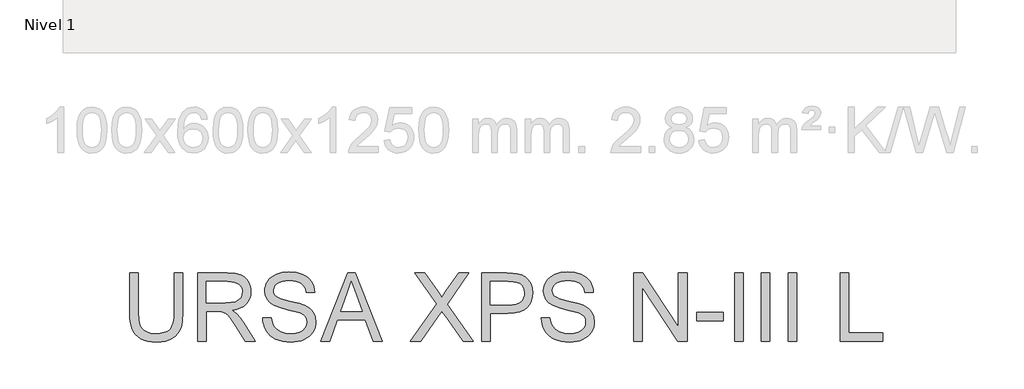
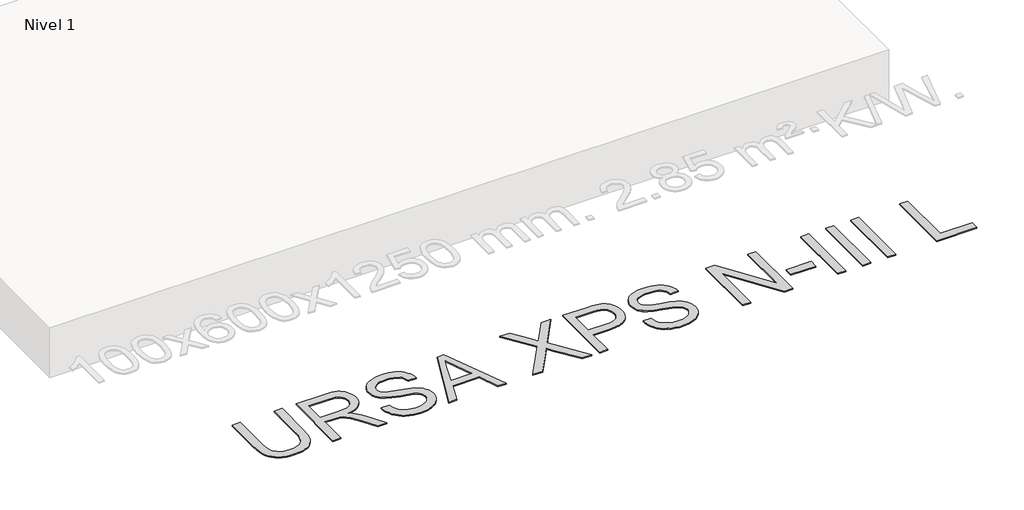
# One storey, part 2 of 10: 1 proxy.
"""IFC4 building model written with IfcOpenShell, lengths in millimetres."""

from ifc_helpers import new_model, si_unit, origin, origin_with_axes, place, context, project, spatial, polyline, outline, extrude, element, save

model = new_model("IFC4")

# Units and contexts
model_context = context("Model", 3, world=origin())
ifc_project = project(units=[si_unit("LENGTHUNIT", "METRE", prefix="MILLI")], contexts=[model_context])

# Site, building, storey
site = spatial("IfcSite", under=ifc_project)
building = spatial("IfcBuilding", under=site)
storey = spatial("IfcBuildingStorey", under=building, Name="Nivel 1", Elevation=0.0)

# Proxy
placement = place(None, origin())
element("IfcBuildingElementProxy", 1, Name="Texto de modelo 3", ObjectType="Texto de modelo 3", at=placement, inside=storey, context=model_context, shape_type="SweptSolid", body=[
    extrude(outline(polyline([(-29076.1169794, -13677.5031362), (-29000.7747468, -13677.5031362), (-29000.7747468, -14025.225198), (-29005.8883065, -14106.6558777), (-29012.2802562, -14140.3492699), (-29021.2289857, -14169.3613637), (-29033.5070473, -14194.7912067), (-29049.8869932, -14217.7378461), (-29070.3688232, -14238.2012821), (-29094.9525376, -14256.1815146), (-29123.6657273, -14270.8278165), (-29156.5359836, -14281.2894608), (-29193.5633064, -14287.5664473), (-29234.7476957, -14289.6587762), (-29274.9158111, -14287.8377603), (-29311.2487566, -14282.3747127), (-29343.7465324, -14273.2696333), (-29372.4091383, -14260.5225222), (-29397.241173, -14244.3219188), (-29418.2472349, -14224.8563627), (-29435.4273241, -14202.1258539), (-29448.7814405, -14176.1303925), (-29458.7924293, -14145.9778644), (-29465.9431356, -14110.776156), (-29470.2335594, -14070.5252672), (-29471.6637006, -14025.225198), (-29471.6637006, -13677.5031362), (-29396.321468, -13677.5031362), (-29396.321468, -14022.5764477), (-29392.6058599, -14090.2851289), (-29381.4590354, -14137.4292066), (-29372.6942469, -14154.8070323), (-29361.2623139, -14170.0787336), (-29347.1632364, -14183.2443105), (-29330.3970145, -14194.303763), (-29290.1507242, -14209.3133484), (-29241.81103, -14214.3165436), (-29200.2863498, -14211.8425371), (-29165.1812104, -14204.4205179), (-29136.4956119, -14192.0504858), (-29114.2295541, -14174.7324409), (-29097.5553027, -14150.3786528), (-29085.6451231, -14116.9013912), (-29078.4990153, -14074.3006562), (-29076.1169794, -14022.5764477), (-29076.1169794, -13677.5031362)])), origin_with_axes(), (0.0, 0.0, 1.0), 10.0),
    extrude(outline(polyline([(-28868.9258397, -14280.2409971), (-28868.9258397, -13677.5031362), (-28609.2011511, -13677.5031362), (-28539.3955426, -13681.5682322), (-28488.6094331, -13693.7635204), (-28469.0105198, -13703.457211), (-28451.4901398, -13716.2778985), (-28436.0482931, -13732.225583), (-28422.6849796, -13751.3002644), (-28411.9014386, -13772.4764718), (-28404.1989093, -13794.728734), (-28399.5773918, -13818.057051), (-28398.0368859, -13842.4614228), (-28400.5890672, -13873.4186927), (-28408.2456113, -13901.8375769), (-28421.006518, -13927.7180752), (-28438.8717874, -13951.0601878), (-28462.0713457, -13971.1189536), (-28490.8351192, -13987.1494115), (-28525.1631079, -13999.1515616), (-28565.0553117, -14007.1254039), (-28540.223277, -14023.3489999), (-28522.2338475, -14039.3518667), (-28491.3685481, -14075.9561252), (-28461.1654363, -14116.9013912), (-28360.6600752, -14280.2409971), (-28448.21599, -14280.2409971), (-28526.6484314, -14155.3082715), (-28583.3022587, -14072.608399), (-28604.3635029, -14048.4937342), (-28623.1070906, -14033.5393311), (-28658.9387969, -14019.1919333), (-28702.6431779, -14016.5431829), (-28793.5836071, -14016.5431829), (-28793.5836071, -14280.2409971), (-28868.9258397, -14280.2409971)]), holes=[polyline([(-28793.5836071, -13941.2009503), (-28624.9465005, -13941.2009503), (-28576.5148359, -13938.5338059), (-28538.9356901, -13930.5323725), (-28510.6455646, -13916.6632213), (-28490.0809611, -13896.3929233), (-28477.5545792, -13871.8735883), (-28473.3791185, -13845.257326), (-28475.3702798, -13825.9895065), (-28481.3437637, -13808.5059147), (-28491.2995702, -13792.8065505), (-28505.2376993, -13778.8914141), (-28523.4800477, -13767.4962693), (-28546.3485123, -13759.3568801), (-28573.8430929, -13754.4732466), (-28605.9637896, -13752.8453688), (-28793.5836071, -13752.8453688), (-28793.5836071, -13941.2009503)])]), origin_with_axes(), (0.0, 0.0, 1.0), 10.0),
    extrude(outline(polyline([(-28294.4413161, -14073.0498574), (-28219.0990835, -14073.0498574), (-28210.4538566, -14114.8596462), (-28194.8188718, -14148.4656664), (-28170.4282955, -14175.1371111), (-28135.5162941, -14196.143173), (-28092.8419827, -14209.7732009), (-28045.1644761, -14214.3165436), (-28003.1891405, -14210.8768469), (-27966.4377292, -14200.5577569), (-27936.6576817, -14184.2237964), (-27915.5964374, -14162.7394878), (-27903.0700555, -14138.0730001), (-27898.8945948, -14112.1925017), (-27902.0215918, -14086.9741909), (-27911.4025827, -14065.1771827), (-27930.45887, -14046.5807479), (-27962.6117564, -14030.9641572), (-28072.3141674, -14002.1957851), (-28144.3270679, -13983.1578919), (-28190.4042878, -13965.0397036), (-28227.9098572, -13939.6926342), (-28254.4893314, -13908.9744876), (-28270.3266513, -13873.5474514), (-28275.6057579, -13834.0737133), (-28273.9732816, -13811.6375102), (-28269.0758525, -13789.946268), (-28260.9134707, -13768.9999869), (-28249.4861363, -13748.7986669), (-28234.9226078, -13730.1654438), (-28217.351644, -13713.9234537), (-28196.7732449, -13700.0726966), (-28173.1874105, -13688.6131724), (-28120.1756149, -13673.217311), (-28061.4984367, -13668.0853571), (-27997.928428, -13673.4564342), (-27942.3046703, -13689.5696656), (-27917.9692763, -13701.5718157), (-27896.6137265, -13716.0939575), (-27878.2380208, -13733.1360909), (-27862.8421593, -13752.698216), (-27850.5457036, -13774.2101157), (-27841.4682154, -13797.1015728), (-27835.6096946, -13821.3725875), (-27832.9701413, -13847.0231596), (-27908.3123739, -13847.0231596), (-27913.3523573, -13822.9820712), (-27922.1447369, -13802.0679798), (-27934.689513, -13784.2808853), (-27950.9866854, -13769.6207878), (-27971.3397567, -13758.1612636), (-27996.0522298, -13749.9758892), (-28025.1241044, -13745.0646646), (-28058.5553808, -13743.4275897), (-28093.0535149, -13745.0462705), (-28122.5300597, -13749.9023128), (-28146.9850153, -13757.9957167), (-28166.4183817, -13769.3264822), (-28181.225632, -13782.9473131), (-28191.8022394, -13797.9109132), (-28198.1482038, -13814.2172827), (-28200.2635253, -13831.8664214), (-28198.7644062, -13847.0507507), (-28194.2670488, -13860.8187344), (-28186.7714531, -13873.1703724), (-28176.2776192, -13884.1056647), (-28159.7597176, -13894.4615428), (-28133.7504606, -13904.9277856), (-28053.25788, -13926.1913649), (-27970.1901255, -13946.3880865), (-27919.937445, -13964.009634), (-27876.987222, -13991.3432663), (-27860.3819485, -14007.4105124), (-27847.0232335, -14025.0780452), (-27836.7547273, -14044.2538942), (-27829.4200801, -14064.8460889), (-27823.5523622, -14110.2795153), (-27825.2400209, -14133.8469556), (-27830.3029968, -14156.7246172), (-27838.7412901, -14178.9125), (-27850.5549007, -14200.4106041), (-27865.5368949, -14220.3865965), (-27883.4803393, -14238.008144), (-27904.3852336, -14253.2752468), (-27928.2515781, -14266.1879049), (-27954.3849953, -14276.4564111), (-27982.0911081, -14283.7910583), (-28042.2214202, -14289.6587762), (-28080.7616577, -14288.0768836), (-28116.0369425, -14283.3312059), (-28148.0472746, -14275.421743), (-28176.792654, -14264.3484949), (-28202.4478246, -14250.0930676), (-28225.1875305, -14232.6370669), (-28245.0117715, -14211.9804929), (-28261.9205477, -14188.1233455), (-28275.5413786, -14161.8381769), (-28285.5017836, -14133.8975394), (-28291.8017627, -14104.3014329), (-28294.4413161, -14073.0498574)])), origin_with_axes(), (0.0, 0.0, 1.0), 10.0),
    extrude(outline(polyline([(-27780.730898, -14280.2409971), (-27540.1360732, -13677.5031362), (-27475.9774532, -13677.5031362), (-27235.3826283, -14280.2409971), (-27314.9922921, -14280.2409971), (-27384.0069544, -14091.8854156), (-27632.2537247, -14091.8854156), (-27701.1212342, -14280.2409971), (-27780.730898, -14280.2409971)]), holes=[polyline([(-27604.5889987, -14016.5431829), (-27411.5245276, -14016.5431829), (-27465.8239101, -13868.3603153), (-27508.0567632, -13752.8453688), (-27545.5807267, -13855.4108691), (-27604.5889987, -14016.5431829)])]), origin_with_axes(), (0.0, 0.0, 1.0), 10.0),
    extrude(outline(polyline([(-26985.3700244, -14280.2409971), (-26753.0157563, -13951.7959518), (-26947.6989081, -13677.5031362), (-26857.3470901, -13677.5031362), (-26747.7182555, -13831.8664214), (-26721.5618457, -13870.9722775), (-26710.7829032, -13892.0519158), (-26667.5199806, -13830.8363518), (-26559.0683684, -13677.5031362), (-26467.3921752, -13677.5031362), (-26662.0753271, -13952.6788686), (-26429.7210589, -14280.2409971), (-26520.0728769, -14280.2409971), (-26674.8776205, -14061.8662448), (-26707.1040833, -14016.5431829), (-26742.5679076, -14066.2808287), (-26893.6938312, -14280.2409971), (-26985.3700244, -14280.2409971)])), origin_with_axes(), (0.0, 0.0, 1.0), 10.0),
    extrude(outline(polyline([(-26354.3788263, -14280.2409971), (-26354.3788263, -13677.5031362), (-26131.0008788, -13677.5031362), (-26078.9823647, -13678.937876), (-26040.9433664, -13683.2420953), (-26000.7890466, -13693.9658555), (-25967.7348494, -13711.4218561), (-25941.118587, -13736.4010436), (-25920.278072, -13769.6943642), (-25906.813591, -13808.9657672), (-25902.3254306, -13851.8792019), (-25905.3558586, -13888.8789336), (-25914.4471424, -13922.9172152), (-25929.599282, -13953.9940467), (-25950.8122776, -13982.1094282), (-25979.934736, -14005.4147526), (-26018.8152644, -14022.0614129), (-26067.4538627, -14032.049409), (-26125.8505309, -14035.3787411), (-26279.0365937, -14035.3787411), (-26279.0365937, -14280.2409971), (-26354.3788263, -14280.2409971)]), holes=[polyline([(-26279.0365937, -13960.0365085), (-26121.435947, -13960.0365085), (-26085.1995704, -13958.3074631), (-26054.6285766, -13953.120327), (-26029.7229656, -13944.4751001), (-26010.4827372, -13932.3717825), (-25996.1261423, -13917.1322708), (-25985.8714317, -13899.0784619), (-25979.7186054, -13878.2103557), (-25977.6676632, -13854.5279523), (-25982.5053115, -13820.6828087), (-25997.0182562, -13792.1351659), (-26019.4038756, -13770.6508574), (-26047.8595479, -13757.9957167), (-26076.9222255, -13754.1329558), (-26123.2017805, -13752.8453688), (-26279.0365937, -13752.8453688), (-26279.0365937, -13960.0365085)])]), origin_with_axes(), (0.0, 0.0, 1.0), 10.0),
    extrude(outline(polyline([(-25826.983198, -14073.0498574), (-25751.6409654, -14073.0498574), (-25742.9957385, -14114.8596462), (-25727.3607537, -14148.4656664), (-25702.9701774, -14175.1371111), (-25668.0581761, -14196.143173), (-25625.3838647, -14209.7732009), (-25577.7063581, -14214.3165436), (-25535.7310224, -14210.8768469), (-25498.9796111, -14200.5577569), (-25469.1995636, -14184.2237964), (-25448.1383194, -14162.7394878), (-25435.6119374, -14138.0730001), (-25431.4364768, -14112.1925017), (-25434.5634738, -14086.9741909), (-25443.9444646, -14065.1771827), (-25463.000752, -14046.5807479), (-25495.1536384, -14030.9641572), (-25604.8560493, -14002.1957851), (-25676.8689499, -13983.1578919), (-25722.9461698, -13965.0397036), (-25760.4517392, -13939.6926342), (-25787.0312133, -13908.9744876), (-25802.8685332, -13873.5474514), (-25808.1476399, -13834.0737133), (-25806.5151635, -13811.6375102), (-25801.6177344, -13789.946268), (-25793.4553527, -13768.9999869), (-25782.0280182, -13748.7986669), (-25767.4644897, -13730.1654438), (-25749.8935259, -13713.9234537), (-25729.3151268, -13700.0726966), (-25705.7292924, -13688.6131724), (-25652.7174969, -13673.217311), (-25594.0403187, -13668.0853571), (-25530.4703099, -13673.4564342), (-25474.8465522, -13689.5696656), (-25450.5111582, -13701.5718157), (-25429.1556084, -13716.0939575), (-25410.7799028, -13733.1360909), (-25395.3840413, -13752.698216), (-25383.0875856, -13774.2101157), (-25374.0100974, -13797.1015728), (-25368.1515766, -13821.3725875), (-25365.5120233, -13847.0231596), (-25440.8542559, -13847.0231596), (-25445.8942392, -13822.9820712), (-25454.6866189, -13802.0679798), (-25467.2313949, -13784.2808853), (-25483.5285673, -13769.6207878), (-25503.8816387, -13758.1612636), (-25528.5941117, -13749.9758892), (-25557.6659864, -13745.0646646), (-25591.0972627, -13743.4275897), (-25625.5953968, -13745.0462705), (-25655.0719417, -13749.9023128), (-25679.5268973, -13757.9957167), (-25698.9602637, -13769.3264822), (-25713.767514, -13782.9473131), (-25724.3441214, -13797.9109132), (-25730.6900858, -13814.2172827), (-25732.8054072, -13831.8664214), (-25731.3062881, -13847.0507507), (-25726.8089307, -13860.8187344), (-25719.3133351, -13873.1703724), (-25708.8195012, -13884.1056647), (-25692.3015996, -13894.4615428), (-25666.2923425, -13904.9277856), (-25585.799762, -13926.1913649), (-25502.7320075, -13946.3880865), (-25452.4793269, -13964.009634), (-25409.529104, -13991.3432663), (-25392.9238304, -14007.4105124), (-25379.5651155, -14025.0780452), (-25369.2966093, -14044.2538942), (-25361.961962, -14064.8460889), (-25356.0942442, -14110.2795153), (-25357.7819028, -14133.8469556), (-25362.8448788, -14156.7246172), (-25371.2831721, -14178.9125), (-25383.0967826, -14200.4106041), (-25398.0787769, -14220.3865965), (-25416.0222212, -14238.008144), (-25436.9271156, -14253.2752468), (-25460.79346, -14266.1879049), (-25486.9268772, -14276.4564111), (-25514.63299, -14283.7910583), (-25574.7633021, -14289.6587762), (-25613.3035396, -14288.0768836), (-25648.5788245, -14283.3312059), (-25680.5891566, -14275.421743), (-25709.334536, -14264.3484949), (-25734.9897066, -14250.0930676), (-25757.7294124, -14232.6370669), (-25777.5536534, -14211.9804929), (-25794.4624296, -14188.1233455), (-25808.0832605, -14161.8381769), (-25818.0436655, -14133.8975394), (-25824.3436447, -14104.3014329), (-25826.983198, -14073.0498574)])), origin_with_axes(), (0.0, 0.0, 1.0), 10.0),
    extrude(outline(polyline([(-25007.6364184, -14280.2409971), (-25007.6364184, -13677.5031362), (-24926.996685, -13677.5031362), (-24612.0896971, -14155.0139659), (-24612.0896971, -13677.5031362), (-24536.7474645, -13677.5031362), (-24536.7474645, -14280.2409971), (-24617.3871979, -14280.2409971), (-24932.2941857, -13802.5830146), (-24932.2941857, -14280.2409971), (-25007.6364184, -14280.2409971)])), origin_with_axes(), (0.0, 0.0, 1.0), 10.0),
    extrude(outline(polyline([(-24451.9874528, -14101.3031946), (-24451.9874528, -14025.960962), (-24216.5429759, -14025.960962), (-24216.5429759, -14101.3031946), (-24451.9874528, -14101.3031946)])), origin_with_axes(), (0.0, 0.0, 1.0), 10.0),
    extrude(outline(polyline([(-24112.9474061, -14280.2409971), (-24112.9474061, -13677.5031362), (-24037.6051735, -13677.5031362), (-24037.6051735, -14280.2409971), (-24112.9474061, -14280.2409971)])), origin_with_axes(), (0.0, 0.0, 1.0), 10.0),
    extrude(outline(polyline([(-23877.5029292, -14280.2409971), (-23877.5029292, -13677.5031362), (-23802.1606966, -13677.5031362), (-23802.1606966, -14280.2409971), (-23877.5029292, -14280.2409971)])), origin_with_axes(), (0.0, 0.0, 1.0), 10.0),
    extrude(outline(polyline([(-23642.0584523, -14280.2409971), (-23642.0584523, -13677.5031362), (-23566.7162196, -13677.5031362), (-23566.7162196, -14280.2409971), (-23642.0584523, -14280.2409971)])), origin_with_axes(), (0.0, 0.0, 1.0), 10.0),
    extrude(outline(polyline([(-23180.5872775, -14280.2409971), (-23180.5872775, -13677.5031362), (-23105.2450449, -13677.5031362), (-23105.2450449, -14204.8987645), (-22803.8761144, -14204.8987645), (-22803.8761144, -14280.2409971), (-23180.5872775, -14280.2409971)])), origin_with_axes(), (0.0, 0.0, 1.0), 10.0),
])

save(model, "model.ifc")
